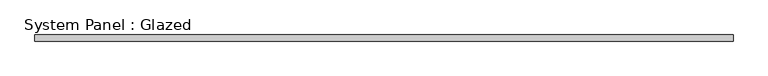
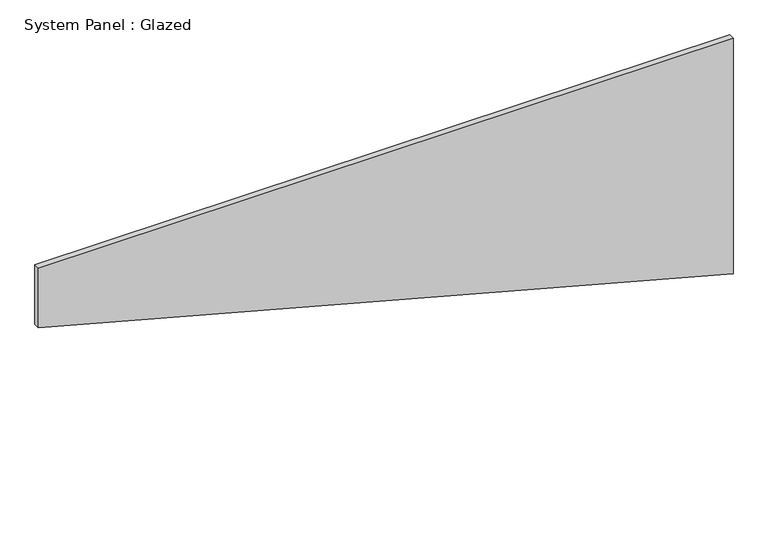
"""IFC4 building model written with IfcOpenShell, lengths in millimetres: plate geometry, System Panel : Glazed."""

import ifcopenshell
import ifcopenshell.guid

model = None  # the IFC model being written
_history = None  # IfcOwnerHistory: only IFC2X3 demands one
_inside = {}  # id of a spatial element -> (the spatial element, [elements in it])
_under = {}  # id of a project, library or spatial element -> (it, [spatial elements below it])
_declared = {}  # id of a project -> (the project, [libraries it declares])
_typed = {}  # id of a type object -> (the type object, [elements of that type])
_made_of = {}  # id of a material, layer set ... -> (it, [elements and type objects made of it])


def new_model(schema):
    """Start an empty IFC model of exactly this schema.

    Asked for "IFC4X3", IfcOpenShell would pick the latest addendum, in which some entities
    have other attributes; the version numbers below select the first issue.
    IFC2X3 requires an IfcOwnerHistory on every rooted entity: one is made here for all.
    """
    global model, _history
    if schema == "IFC4X3":
        model = ifcopenshell.file(schema_version=(4, 3, 0, 0))
    else:
        model = ifcopenshell.file(schema=schema)
    _inside.clear()
    _under.clear()
    _declared.clear()
    _typed.clear()
    _made_of.clear()
    _history = None
    if model.schema == "IFC2X3":
        org = make("IfcOrganization", Name="unknown")
        user = make(
            "IfcPersonAndOrganization",
            ThePerson=make("IfcPerson", FamilyName="unknown"),
            TheOrganization=org,
        )
        app = make(
            "IfcApplication",
            ApplicationDeveloper=org,
            Version="unknown",
            ApplicationFullName="unknown",
            ApplicationIdentifier="unknown",
        )
        _history = make(
            "IfcOwnerHistory",
            OwningUser=user,
            OwningApplication=app,
            ChangeAction="ADDED",
            CreationDate=0,
        )
    return model


def make(cls, **values):
    """One entity of the class cls with the attributes given. An attribute that is None is left unset."""
    return model.create_entity(
        cls, **{name: value for name, value in values.items() if value is not None}
    )


def rooted(cls, **values):
    """An entity with a GlobalId (a new one), such as an element, a storey or a relation."""
    return make(cls, GlobalId=ifcopenshell.guid.new(), OwnerHistory=_history, **values)


def si_unit(unit_type, name, prefix=None):
    """IfcSIUnit, for example si_unit("LENGTHUNIT", "METRE", prefix="MILLI")."""
    return make("IfcSIUnit", UnitType=unit_type, Prefix=prefix, Name=name)


def assignment(units):
    """IfcUnitAssignment: the units of a project."""
    return None if units is None else make("IfcUnitAssignment", Units=units)


def point(xyz):
    """IfcCartesianPoint."""
    return None if xyz is None else make("IfcCartesianPoint", Coordinates=xyz)


def direction(xyz):
    """IfcDirection."""
    return None if xyz is None else make("IfcDirection", DirectionRatios=xyz)


def frame(location, z_axis=None, x_axis=None):
    """IfcAxis2Placement3D, a coordinate frame: its origin and axes. An axis left out is left unset."""
    return make(
        "IfcAxis2Placement3D",
        Location=point(location),
        Axis=direction(z_axis),
        RefDirection=direction(x_axis),
    )


def origin():
    """The frame at (0, 0, 0) with its axes left unset."""
    return frame((0.0, 0.0, 0.0))


def place(relative_to, where):
    """IfcLocalPlacement: puts the frame where relative to a parent placement (None: the world)."""
    return make(
        "IfcLocalPlacement", PlacementRelTo=relative_to, RelativePlacement=where
    )


def context(
    kind, dimensions, precision=None, world=None, true_north=None, identifier=None
):
    """IfcGeometricRepresentationContext, for example the 3D "Model" context."""
    return make(
        "IfcGeometricRepresentationContext",
        ContextIdentifier=identifier,
        ContextType=kind,
        CoordinateSpaceDimension=dimensions,
        Precision=precision,
        WorldCoordinateSystem=world,
        TrueNorth=true_north,
    )


def project(units=None, contexts=None):
    """IfcProject with its units and contexts."""
    return rooted(
        "IfcProject",
        Name="project",
        RepresentationContexts=contexts,
        UnitsInContext=assignment(units),
    )


def spatial(cls, under=None, at=None, **own):
    """A site, building, storey or space (cls), placed at a placement, below another one or the project."""
    s = rooted(cls, ObjectPlacement=at, **own)
    if under is not None:
        _under.setdefault(under.id(), (under, []))[1].append(s)
    return s


def polyline(points):
    """IfcPolyline through the points."""
    return make("IfcPolyline", Points=[point(p) for p in points])


def outline(outer, holes=None, kind="AREA"):
    """IfcArbitraryClosedProfileDef: a profile drawn as a closed curve; with holes, ...WithVoids."""
    if holes is None:
        return make("IfcArbitraryClosedProfileDef", ProfileType=kind, OuterCurve=outer)
    return make(
        "IfcArbitraryProfileDefWithVoids",
        ProfileType=kind,
        OuterCurve=outer,
        InnerCurves=holes,
    )


def extrude(swept, where, along, depth):
    """IfcExtrudedAreaSolid: the profile swept, set in the frame where, extruded along a direction by depth."""
    return make(
        "IfcExtrudedAreaSolid",
        SweptArea=swept,
        Position=where,
        ExtrudedDirection=direction(along),
        Depth=depth,
    )


def shape(context_of_items, identifier, shape_type, items):
    """IfcShapeRepresentation: the items that make up one representation, for example the "Body"."""
    return make(
        "IfcShapeRepresentation",
        ContextOfItems=context_of_items,
        RepresentationIdentifier=identifier,
        RepresentationType=shape_type,
        Items=items,
    )


def source(mapping_origin, context_of_items, identifier, shape_type, items):
    """IfcRepresentationMap: a shape defined once, which mapped items show again and again."""
    return make(
        "IfcRepresentationMap",
        MappingOrigin=mapping_origin,
        MappedRepresentation=shape(context_of_items, identifier, shape_type, items),
    )


def transform(
    local_origin,
    x_axis=None,
    y_axis=None,
    z_axis=None,
    scale=None,
    scale2=None,
    scale3=None,
    uniform=True,
):
    """IfcCartesianTransformationOperator3D, or its non-uniform kind. x_axis, y_axis, z_axis: its Axis1, 2, 3."""
    if uniform:
        return make(
            "IfcCartesianTransformationOperator3D",
            Axis1=direction(x_axis),
            Axis2=direction(y_axis),
            LocalOrigin=point(local_origin),
            Scale=scale,
            Axis3=direction(z_axis),
        )
    return make(
        "IfcCartesianTransformationOperator3DnonUniform",
        Axis1=direction(x_axis),
        Axis2=direction(y_axis),
        LocalOrigin=point(local_origin),
        Scale=scale,
        Axis3=direction(z_axis),
        Scale2=scale2,
        Scale3=scale3,
    )


def mapped(mapping_source, mapping_target):
    """IfcMappedItem: shows the shape of a source again, moved by a transform."""
    return make(
        "IfcMappedItem", MappingSource=mapping_source, MappingTarget=mapping_target
    )


def made_of(thing, what):
    """Note that an element or type object is made of a material, layer set ...; save() writes the relation."""
    if what is not None:
        _made_of.setdefault(what.id(), (what, []))[1].append(thing)
    return thing


def element(
    cls,
    number,
    at=None,
    inside=None,
    cuts=None,
    type_object=None,
    material=None,
    context=None,
    identifier="Body",
    shape_type=None,
    held_by="IfcProductDefinitionShape",
    body=None,
    shapes=None,
    **own,
):
    """One element of the class cls, such as IfcWall. Its Tag is "e" and its number.

    at: its placement. inside: the storey or other place that contains it. cuts: it is an
    opening in that element (IfcRelVoidsElement). A single representation is given by context,
    identifier, shape_type and body (its items); several are given by shapes. held_by: the class
    of the entity that holds the representations. save() writes the other relations.
    """
    e = rooted(cls, Tag="e%d" % number, ObjectPlacement=at, **own)
    if body is not None:
        shapes = [shape(context, identifier, shape_type, body)]
    if shapes is not None:
        e.Representation = make(held_by, Representations=shapes)
    if inside is not None:
        _inside.setdefault(inside.id(), (inside, []))[1].append(e)
    if cuts is not None:
        rooted(
            "IfcRelVoidsElement", RelatingBuildingElement=cuts, RelatedOpeningElement=e
        )
    if type_object is not None:
        _typed.setdefault(type_object.id(), (type_object, []))[1].append(e)
    return made_of(e, material)


def aggregate(whole, parts):
    """IfcRelAggregates: a whole, such as a stair, and the parts it consists of."""
    return rooted("IfcRelAggregates", RelatingObject=whole, RelatedObjects=parts)


def save(model, path):
    """Write the relations noted so far, then the file.

    IfcRelAggregates (storeys below a building ...), IfcRelContainedInSpatialStructure (elements
    in a storey), IfcRelDefinesByType, IfcRelAssociatesMaterial and IfcRelDeclares: one each for
    every whole, place, type object, material and project.
    """
    for whole, parts in _under.values():
        aggregate(whole, parts)
    for where, things in _inside.values():
        rooted(
            "IfcRelContainedInSpatialStructure",
            RelatedElements=things,
            RelatingStructure=where,
        )
    for kind, things in _typed.values():
        rooted("IfcRelDefinesByType", RelatedObjects=things, RelatingType=kind)
    for what, things in _made_of.values():
        rooted("IfcRelAssociatesMaterial", RelatedObjects=things, RelatingMaterial=what)
    for by, libraries in _declared.values():
        rooted("IfcRelDeclares", RelatingContext=by, RelatedDefinitions=libraries)
    model.write(path)


def system_panel_glazed_a933c8ac(model_context):
    return source(origin(), model_context, "Body", "SweptSolid", [
        extrude(outline(polyline([(763.6551984, -1425.0), (0.0, 1425.0), (1020.4847036, 1425.0), (1020.4847036, -1425.0), (763.6551984, -1425.0)])), frame((0.0, -2.5, 0.0), z_axis=(0.0, 1.0, 0.0), x_axis=(0.0, 0.0, 1.0)), (0.0, 0.0, 1.0), 25.0),
    ])


if __name__ == "__main__":
    model = new_model("IFC4")
    model_context = context("Model", 3, world=origin())
    ifc_project = project(units=[si_unit("LENGTHUNIT", "METRE", prefix="MILLI")], contexts=[model_context])
    site = spatial("IfcSite", under=ifc_project)
    building = spatial("IfcBuilding", under=site)
    placement = place(None, origin())
    system_panel_glazed_shape = system_panel_glazed_a933c8ac(model_context)
    element("IfcPlate", 1, ObjectType="System Panel : Glazed", at=placement, inside=building, context=model_context, shape_type="MappedRepresentation", body=[
        mapped(system_panel_glazed_shape, transform((0.0, 0.0, 0.0), x_axis=(1.0, 0.0, 0.0), y_axis=(0.0, 1.0, 0.0), z_axis=(0.0, 0.0, 1.0))),
    ])
    save(model, "model.ifc")
